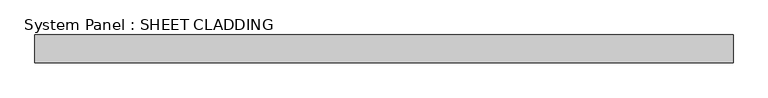
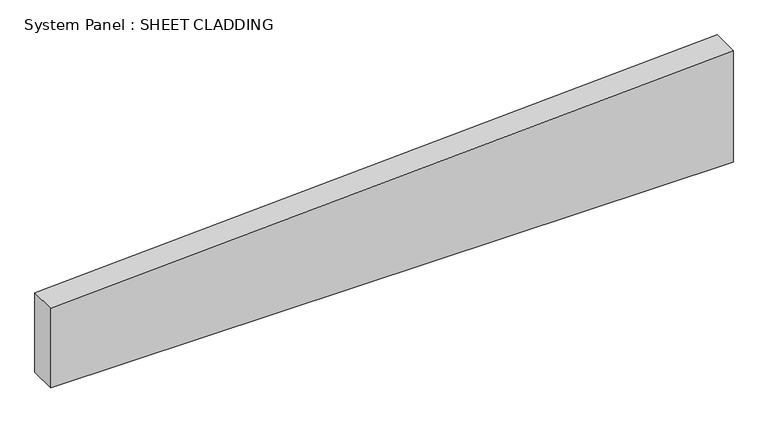
"""IFC4 building model written with IfcOpenShell, lengths in millimetres: plate geometry, System Panel : SHEET CLADDING."""

from ifc_helpers import new_model, si_unit, frame, origin, place, context, project, spatial, polyline, outline, extrude, source, transform, mapped, element, save


def system_panel_sheet_cladding_912ebe3e(model_context):
    return source(origin(), model_context, "Body", "SweptSolid", [
        extrude(outline(polyline([(0.0, -750.0), (0.0, 750.0), (260.1, 750.0), (185.1, -750.0), (0.0, -750.0)])), frame((0.0, -49.5, 0.0), z_axis=(0.0, 1.0, 0.0), x_axis=(0.0, 0.0, 1.0)), (0.0, 0.0, 1.0), 60.0),
    ])


if __name__ == "__main__":
    model = new_model("IFC4")
    model_context = context("Model", 3, world=origin())
    ifc_project = project(units=[si_unit("LENGTHUNIT", "METRE", prefix="MILLI")], contexts=[model_context])
    site = spatial("IfcSite", under=ifc_project)
    building = spatial("IfcBuilding", under=site)
    placement = place(None, origin())
    system_panel_sheet_cladding_shape = system_panel_sheet_cladding_912ebe3e(model_context)
    element("IfcPlate", 1, ObjectType="System Panel : SHEET CLADDING", at=placement, inside=building, context=model_context, shape_type="MappedRepresentation", body=[
        mapped(system_panel_sheet_cladding_shape, transform((0.0, 0.0, 0.0), x_axis=(1.0, 0.0, 0.0), y_axis=(0.0, 1.0, 0.0), z_axis=(0.0, 0.0, 1.0))),
    ])
    save(model, "model.ifc")
